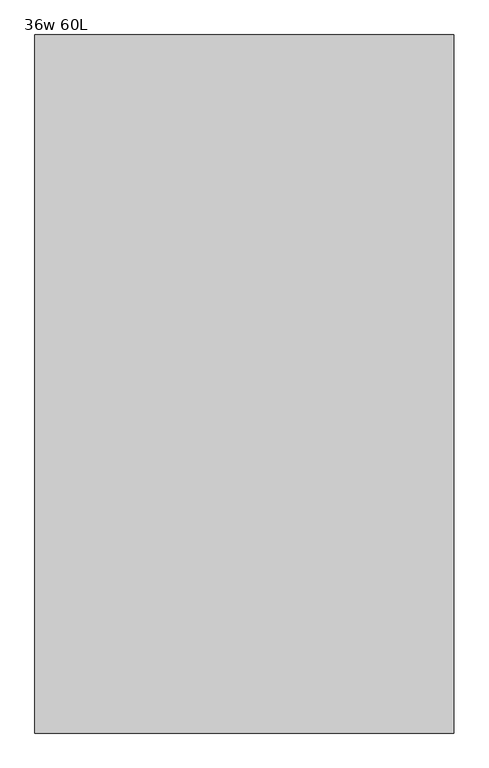
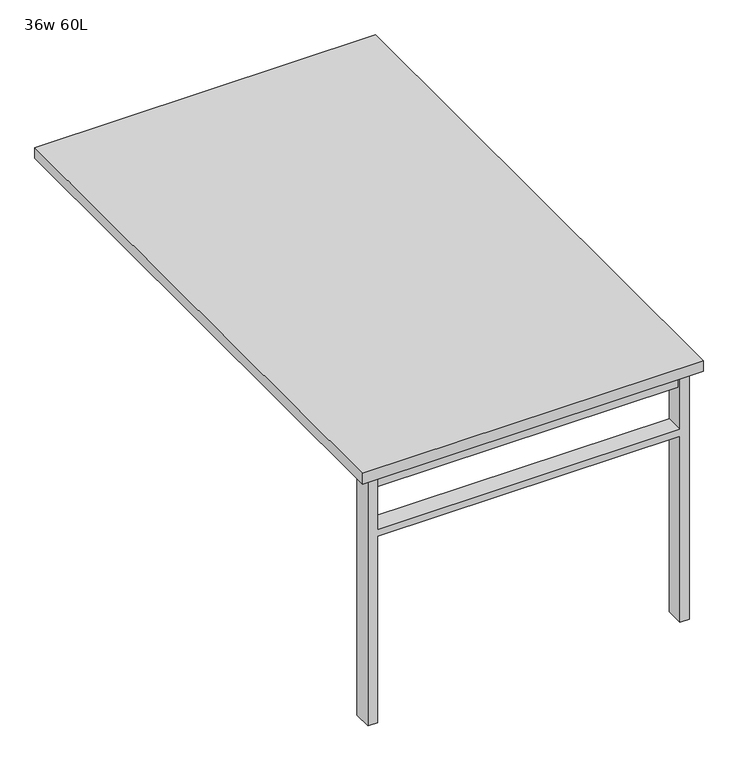
"""IFC4 building model written with IfcOpenShell, lengths in millimetres: furniture geometry, 36w 60L."""

from ifc_helpers import new_model, si_unit, frame, origin, place, context, project, spatial, polyline, outline, extrude, source, transform, mapped, element, save


def furniture_36w_60l_49e5813a(model_context):
    return source(origin(), model_context, "Body", "SweptSolid", [
        extrude(outline(polyline([(-406.4, -701.675), (406.4, -701.675), (406.4, -733.425), (-406.4, -733.425), (-406.4, -701.675)])), frame((0.0, 0.0, 661.9875), z_axis=(0.0, 0.0, 1.0), x_axis=(1.0, 0.0, 0.0)), (0.0, 0.0, 1.0), 44.45),
        extrude(outline(polyline([(528.6375, 406.4), (0.0, 406.4), (0.0, 431.8), (706.4375, 431.8), (706.4375, 406.4), (547.6875, 406.4), (547.6875, -406.4), (706.4375, -406.4), (706.4375, -431.8), (0.0, -431.8), (0.0, -406.4), (528.6375, -406.4), (528.6375, 406.4)])), frame((0.0, -742.95, 0.0), z_axis=(0.0, 1.0, 0.0), x_axis=(0.0, 0.0, 1.0)), (0.0, 0.0, 1.0), 50.8),
        extrude(outline(polyline([(-457.2, -762.0), (-457.2, 762.0), (457.2, 762.0), (457.2, -762.0), (-457.2, -762.0)])), frame((0.0, 0.0, 706.4375), z_axis=(0.0, 0.0, 1.0), x_axis=(1.0, 0.0, 0.0)), (0.0, 0.0, 1.0), 30.1625),
    ])


if __name__ == "__main__":
    model = new_model("IFC4")
    model_context = context("Model", 3, world=origin())
    ifc_project = project(units=[si_unit("LENGTHUNIT", "METRE", prefix="MILLI")], contexts=[model_context])
    site = spatial("IfcSite", under=ifc_project)
    building = spatial("IfcBuilding", under=site)
    placement = place(None, origin())
    furniture_36w_60l_shape = furniture_36w_60l_49e5813a(model_context)
    element("IfcFurniture", 1, ObjectType="36w 60L", at=placement, inside=building, context=model_context, shape_type="MappedRepresentation", body=[
        mapped(furniture_36w_60l_shape, transform((0.0, 0.0, 0.0), x_axis=(1.0, 0.0, 0.0), y_axis=(0.0, 1.0, 0.0), z_axis=(0.0, 0.0, 1.0))),
    ])
    save(model, "model.ifc")
